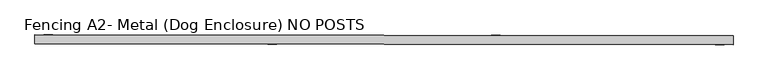
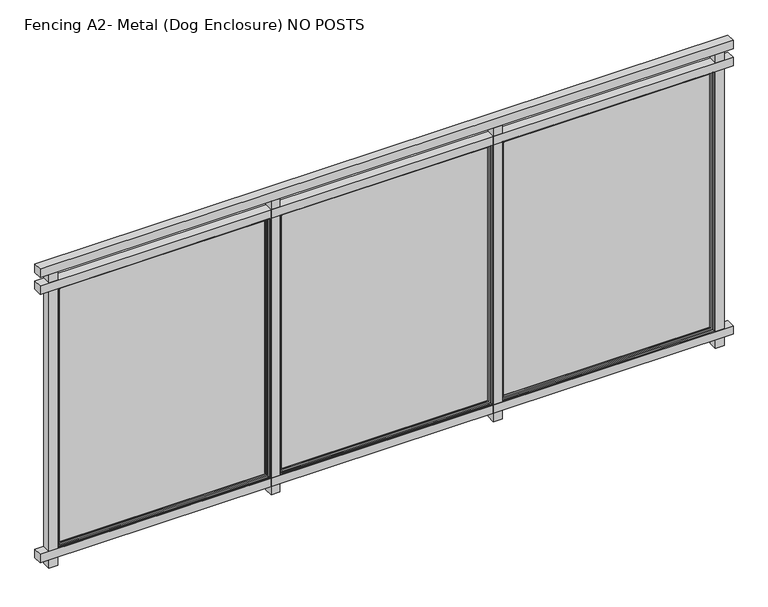
"""IFC4 building model written with IfcOpenShell, lengths in millimetres: railing geometry, Fencing A2- Metal (Dog Enclosure) NO POSTS."""

from ifc_helpers import new_model, si_unit, frame, origin, place, context, project, spatial, polyline, ellipse_curve, outline, extrude, source, transform, mapped, element, save
from ifc_brep_helpers import plane_surface, cylinder_surface, advanced_brep


def fencing_a2_metal_dog_enclosure_no_posts_8233dcb3(model_context):
    return source(origin(), model_context, "Body", "SolidModel", [
        extrude(outline(polyline([(8070.005438, 2330.5834559), (8069.9451369, 2279.7834917), (4107.5479285, 2284.4869765), (4107.6082296, 2335.2869408), (8070.005438, 2330.5834559)])), frame((0.0, 0.0, 1016.0), z_axis=(0.0, 0.0, 1.0), x_axis=(1.0, 0.0, 0.0)), (0.0, 0.0, 1.0), 50.8),
        extrude(outline(polyline([(8070.005438, 2330.5834559), (8069.9451369, 2279.7834917), (4107.5479285, 2284.4869765), (4107.6082296, 2335.2869408), (8070.005438, 2330.5834559)])), frame((0.0, 0.0, 914.4), z_axis=(0.0, 0.0, 1.0), x_axis=(1.0, 0.0, 0.0)), (0.0, 0.0, 1.0), 50.8),
        extrude(outline(polyline([(8070.005438, 2330.5834559), (8069.9451369, 2279.7834917), (4107.5479285, 2284.4869765), (4107.6082296, 2335.2869408), (8070.005438, 2330.5834559)])), frame((0.0, 0.0, -711.2), z_axis=(0.0, 0.0, 1.0), x_axis=(1.0, 0.0, 0.0)), (0.0, 0.0, 1.0), 50.8),
        extrude(outline(polyline([(4209.208158, 2335.1663386), (4209.1478569, 2284.3663744), (4158.3478927, 2284.4266755), (4158.4081938, 2335.2266397), (4209.208158, 2335.1663386)])), frame((0.0, 0.0, -762.0), z_axis=(0.0, 0.0, 1.0), x_axis=(1.0, 0.0, 0.0)), (0.0, 0.0, 1.0), 1778.0),
        advanced_brep(
        [(5422.0478815, 2325.7891557, 908.05), (5425.2266481, 2328.9603847, 911.225), (5425.2266481, 2328.9603847, -657.225), (5422.0478815, 2325.7891557, -654.05), (4212.3775026, 2330.4000731, -657.225), (4215.5487315, 2327.2213065, -654.05), (4209.2025048, 2330.4038419, -660.4), (4209.2025048, 2330.4038419, 914.4), (5428.4016459, 2328.9566158, 914.4), (5428.4016459, 2328.9566158, -660.4), (4212.3775026, 2330.4000731, 911.225), (4215.5487315, 2327.2213065, 908.05), (5422.0365751, 2316.2641624, -654.05), (4215.5374251, 2317.6963132, -654.05), (5422.0365751, 2316.2641624, 908.05), (4215.5374251, 2317.6963132, 908.05), (5412.5115818, 2316.2754689, -644.525), (5412.5115818, 2316.2754689, 898.525), (4225.0624183, 2317.6850068, 898.525), (4225.0624183, 2317.6850068, -644.525), (5409.3328152, 2313.1042399, 895.35), (5409.3328152, 2313.1042399, -641.35), (4228.2336473, 2314.5062402, -641.35), (4228.2336473, 2314.5062402, 895.35), (5409.3290464, 2309.9292422, -641.35), (4228.2298785, 2311.3312424, -641.35), (5409.3290464, 2309.9292422, 895.35), (4228.2298785, 2311.3312424, 895.35), (5428.3790329, 2309.9066293, -660.4), (5428.3790329, 2309.9066293, 914.4), (4209.1798919, 2311.3538554, 914.4), (4209.1798919, 2311.3538554, -660.4)],
        [
            (0, 1, ellipse_curve(frame((5425.2228793, 2325.7853869, 911.225), z_axis=(0.7071062830160321, -0.0008393564505232655, -0.7071067811865475), x_axis=(0.707106283016032, -0.0008393564505232654, 0.7071067811865476)), 4.4901281, 3.175)),
            (1, 2),
            (2, 3, ellipse_curve(frame((5425.2228793, 2325.7853869, -657.225), z_axis=(0.7071062830160321, -0.0008393564505232655, 0.7071067811865475), x_axis=(-0.707106283016032, 0.0008393564505232654, 0.7071067811865476)), 4.4901281, 3.175)),
            (3, 0),
            (2, 4),
            (4, 5, ellipse_curve(frame((4212.3737337, 2327.2250754, -657.225), z_axis=(0.7071062830160321, -0.0008393564505232655, -0.7071067811865475), x_axis=(0.7071062830160322, -0.0008393564505232656, 0.7071067811865474)), 4.4901281, 3.175)),
            (5, 3),
            (6, 7),
            (7, 8),
            (8, 9),
            (9, 6),
            (1, 10),
            (10, 4),
            (10, 11, ellipse_curve(frame((4212.3737337, 2327.2250754, 911.225), z_axis=(-0.7071062830160321, 0.0008393564505232655, -0.7071067811865475), x_axis=(0.707106283016032, -0.0008393564505232654, -0.7071067811865476)), 4.4901281, 3.175)),
            (11, 5),
            (12, 3),
            (5, 13),
            (13, 12),
            (14, 0),
            (12, 14),
            (11, 15),
            (15, 13),
            (15, 14),
            (16, 17),
            (17, 18),
            (18, 19),
            (19, 16),
            (20, 17, ellipse_curve(frame((5412.5078129, 2313.1004711, 898.525), z_axis=(0.7071062830160321, -0.0008393564505232655, -0.7071067811865475), x_axis=(0.707106283016032, -0.0008393564505232654, 0.7071067811865476)), 4.4901281, 3.175)),
            (16, 21, ellipse_curve(frame((5412.5078129, 2313.1004711, -644.525), z_axis=(0.7071062830160321, -0.0008393564505232655, 0.7071067811865475), x_axis=(-0.707106283016032, 0.0008393564505232654, 0.7071067811865476)), 4.4901281, 3.175)),
            (21, 20),
            (19, 22, ellipse_curve(frame((4225.0586495, 2314.510009, -644.525), z_axis=(0.7071062830160321, -0.0008393564505232655, -0.7071067811865475), x_axis=(0.7071062830160322, -0.0008393564505232656, 0.7071067811865474)), 4.4901281, 3.175)),
            (22, 21),
            (18, 23, ellipse_curve(frame((4225.0586495, 2314.510009, 898.525), z_axis=(-0.7071062830160321, 0.0008393564505232655, -0.7071067811865475), x_axis=(0.707106283016032, -0.0008393564505232654, -0.7071067811865476)), 4.4901281, 3.175)),
            (23, 22),
            (24, 21),
            (22, 25),
            (25, 24),
            (26, 20),
            (24, 26),
            (23, 27),
            (27, 25),
            (28, 29),
            (29, 30),
            (30, 31),
            (31, 28),
            (27, 26),
            (8, 29),
            (28, 9),
            (31, 6),
            (30, 7),
            (0, 11),
            (20, 23),
        ],
        [
            cylinder_surface(frame((5425.2228793, 2325.7853869, 914.4), z_axis=(0.0, 0.0, 1.0), x_axis=(0.9999992954805008, -0.001187029275995899, 0.0)), 3.175),
            cylinder_surface(frame((5428.397877, 2325.7816181, -657.225), z_axis=(0.9999992954805008, -0.0011870292759953438, 0.0), x_axis=(0.0, 0.0, -1.0)), 3.175),
            plane_surface(frame((5428.4016459, 2328.9566158, 914.4), z_axis=(0.001187029275995899, 0.9999992954805008, 0.0), x_axis=(0.0, 0.0, -1.0))),
            cylinder_surface(frame((4212.3737337, 2327.2250754, -660.4), z_axis=(0.0, 0.0, -1.0), x_axis=(-0.9999992954805008, 0.0011870292759947887, 0.0)), 3.175),
            plane_surface(frame((5422.0478815, 2325.7891557, -654.05), z_axis=(0.0, 0.0, 1.0), x_axis=(-0.9999992954805008, 0.0011870292759953486, 0.0))),
            plane_surface(frame((5422.0478815, 2325.7891557, 908.05), z_axis=(-0.9999992954805008, 0.001187029275995899, 0.0), x_axis=(0.0, 0.0, -1.0))),
            plane_surface(frame((4215.5487315, 2327.2213065, -654.05), z_axis=(0.9999992954805008, -0.0011870292759947887, 0.0), x_axis=(0.0, 0.0, 1.0))),
            plane_surface(frame((5422.0365751, 2316.2641624, 908.05), z_axis=(0.001187029275995899, 0.9999992954805008, 0.0), x_axis=(0.0, 0.0, -1.0))),
            cylinder_surface(frame((5412.5078129, 2313.1004711, 914.4), z_axis=(0.0, 0.0, 1.0), x_axis=(0.9999992954805008, -0.001187029275995899, 0.0)), 3.175),
            cylinder_surface(frame((5428.3828018, 2313.081627, -644.525), z_axis=(0.9999992954805008, -0.0011870292759953438, 0.0), x_axis=(0.0, 0.0, -1.0)), 3.175),
            cylinder_surface(frame((4225.0586495, 2314.510009, -660.4), z_axis=(0.0, 0.0, -1.0), x_axis=(-0.9999992954805008, 0.0011870292759947887, 0.0)), 3.175),
            plane_surface(frame((5409.3328152, 2313.1042399, -641.35), z_axis=(0.0, 0.0, 1.0), x_axis=(-0.9999992954805008, 0.001187029275995351, 0.0))),
            plane_surface(frame((5409.3328152, 2313.1042399, 895.35), z_axis=(-0.9999992954805008, 0.001187029275995899, 0.0), x_axis=(0.0, 0.0, -1.0))),
            plane_surface(frame((4228.2336473, 2314.5062402, -641.35), z_axis=(0.9999992954805008, -0.0011870292759947887, 0.0), x_axis=(0.0, 0.0, 1.0))),
            plane_surface(frame((5409.3290464, 2309.9292422, 895.35), z_axis=(-0.001187029275995899, -0.9999992954805008, 0.0), x_axis=(0.0, 0.0, -1.0))),
            plane_surface(frame((5428.3790329, 2309.9066293, 914.4), z_axis=(0.9999992954805008, -0.001187029275995899, 0.0), x_axis=(0.0, 0.0, -1.0))),
            plane_surface(frame((5428.3790329, 2309.9066293, -660.4), z_axis=(0.0, 0.0, -1.0), x_axis=(-0.9999992954805008, 0.0011870292759953438, 0.0))),
            plane_surface(frame((4209.1798919, 2311.3538554, -660.4), z_axis=(-0.9999992954805008, 0.0011870292759947887, 0.0), x_axis=(0.0, 0.0, 1.0))),
            cylinder_surface(frame((4209.198736, 2327.2288442, 911.225), z_axis=(-0.9999992954805008, 0.0011870292759953438, 0.0), x_axis=(0.0, 0.0, 1.0)), 3.175),
            plane_surface(frame((4215.5487315, 2327.2213065, 908.05), z_axis=(0.0, 0.0, -1.0), x_axis=(0.9999992954805008, -0.0011870292759953449, 0.0))),
            cylinder_surface(frame((4209.1836607, 2314.5288531, 898.525), z_axis=(-0.9999992954805008, 0.0011870292759953438, 0.0), x_axis=(0.0, 0.0, 1.0)), 3.175),
            plane_surface(frame((4228.2336473, 2314.5062402, 895.35), z_axis=(0.0, 0.0, -1.0), x_axis=(0.9999992954805008, -0.001187029275995351, 0.0))),
            plane_surface(frame((4209.1798919, 2311.3538554, 914.4), z_axis=(0.0, 0.0, 1.0), x_axis=(0.9999992954805008, -0.0011870292759953438, 0.0))),
        ],
        [
            (0, [[1, 2, 3, 4]]),
            (1, [[-3, 5, 6, 7]]),
            (2, [[8, 9, 10, 11], [-2, 12, 13, -5]]),
            (3, [[-6, -13, 14, 15]]),
            (4, [[16, -7, 17, 18]]),
            (5, [[19, -4, -16, 20]]),
            (6, [[-17, -15, 21, 22]]),
            (7, [[-22, 23, -20, -18], [24, 25, 26, 27]]),
            (8, [[28, -24, 29, 30]]),
            (9, [[-29, -27, 31, 32]]),
            (10, [[-31, -26, 33, 34]]),
            (11, [[35, -32, 36, 37]]),
            (12, [[38, -30, -35, 39]]),
            (13, [[-36, -34, 40, 41]]),
            (14, [[42, 43, 44, 45], [-41, 46, -39, -37]]),
            (15, [[47, -42, 48, -10]]),
            (16, [[-48, -45, 49, -11]]),
            (17, [[-49, -44, 50, -8]]),
            (18, [[-14, -12, -1, 51]]),
            (19, [[-21, -51, -19, -23]]),
            (20, [[-33, -25, -28, 52]]),
            (21, [[-40, -52, -38, -46]]),
            (22, [[-50, -43, -47, -9]]),
        ],
    ),
        advanced_brep(
        [(5428.3752641, 2306.7316315, 914.4), (5428.3526512, 2287.6816449, 914.4), (5428.3526512, 2287.6816449, -660.4), (5428.3752641, 2306.7316315, -660.4), (4209.1535102, 2289.128871, -660.4), (4209.1761231, 2308.1788576, -660.4), (4209.1535102, 2289.128871, 914.4), (4212.3285079, 2289.1251022, -657.225), (4212.3285079, 2289.1251022, 911.225), (5425.1776535, 2287.6854137, 911.225), (5425.1776535, 2287.6854137, -657.225), (4209.1761231, 2308.1788576, 914.4), (5409.3252775, 2306.7542444, -641.35), (5409.3252775, 2306.7542444, 895.35), (4228.2261097, 2308.1562447, 895.35), (4228.2261097, 2308.1562447, -641.35), (5409.3215087, 2303.5792466, 895.35), (5409.3215087, 2303.5792466, -641.35), (4228.2223408, 2304.9812469, -641.35), (4228.2223408, 2304.9812469, 895.35), (5412.4927377, 2300.4004801, -644.525), (4225.0435743, 2301.810018, -644.525), (5412.4927377, 2300.4004801, 898.525), (4225.0435743, 2301.810018, 898.525), (5422.017731, 2300.3891736, -654.05), (5422.017731, 2300.3891736, 908.05), (4215.518581, 2301.8213244, 908.05), (4215.518581, 2301.8213244, -654.05), (5422.0064245, 2290.8641803, 908.05), (5422.0064245, 2290.8641803, -654.05), (4215.5072745, 2292.2963311, -654.05), (4215.5072745, 2292.2963311, 908.05)],
        [
            (0, 1),
            (1, 2),
            (2, 3),
            (3, 0),
            (2, 4),
            (4, 5),
            (5, 3),
            (1, 6),
            (6, 4),
            (7, 8),
            (8, 9),
            (9, 10),
            (10, 7),
            (6, 11),
            (11, 5),
            (11, 0),
            (12, 13),
            (13, 14),
            (14, 15),
            (15, 12),
            (16, 13),
            (12, 17),
            (17, 16),
            (15, 18),
            (18, 17),
            (14, 19),
            (19, 18),
            (20, 17, ellipse_curve(frame((5412.4965065, 2303.5754778, -644.525), z_axis=(-0.7071062830160321, 0.0008393564505232655, -0.7071067811865475), x_axis=(0.7071062830160322, -0.0008393564505232656, -0.7071067811865474)), 4.4901281, 3.175)),
            (18, 21, ellipse_curve(frame((4225.0473431, 2304.9850157, -644.525), z_axis=(0.7071062830160321, -0.0008393564505232655, -0.7071067811865475), x_axis=(0.7071062830160322, -0.0008393564505232656, 0.7071067811865474)), 4.4901281, 3.175)),
            (21, 20),
            (22, 16, ellipse_curve(frame((5412.4965065, 2303.5754778, 898.525), z_axis=(0.7071062830160321, -0.0008393564505232655, -0.7071067811865475), x_axis=(0.707106283016032, -0.0008393564505232654, 0.7071067811865476)), 4.4901281, 3.175)),
            (20, 22),
            (19, 23, ellipse_curve(frame((4225.0473431, 2304.9850157, 898.525), z_axis=(-0.7071062830160321, 0.0008393564505232655, -0.7071067811865475), x_axis=(0.707106283016032, -0.0008393564505232654, -0.7071067811865476)), 4.4901281, 3.175)),
            (23, 21),
            (24, 25),
            (25, 26),
            (26, 27),
            (27, 24),
            (23, 22),
            (28, 25),
            (24, 29),
            (29, 28),
            (27, 30),
            (30, 29),
            (26, 31),
            (31, 30),
            (10, 29, ellipse_curve(frame((5425.1814223, 2290.8604115, -657.225), z_axis=(-0.7071062830160321, 0.0008393564505232655, -0.7071067811865475), x_axis=(0.7071062830160322, -0.0008393564505232656, -0.7071067811865474)), 4.4901281, 3.175)),
            (30, 7, ellipse_curve(frame((4212.3322767, 2292.3001, -657.225), z_axis=(0.7071062830160321, -0.0008393564505232655, -0.7071067811865475), x_axis=(0.7071062830160322, -0.0008393564505232656, 0.7071067811865474)), 4.4901281, 3.175)),
            (9, 28, ellipse_curve(frame((5425.1814223, 2290.8604115, 911.225), z_axis=(0.7071062830160321, -0.0008393564505232655, -0.7071067811865475), x_axis=(0.707106283016032, -0.0008393564505232654, 0.7071067811865476)), 4.4901281, 3.175)),
            (31, 8, ellipse_curve(frame((4212.3322767, 2292.3001, 911.225), z_axis=(-0.7071062830160321, 0.0008393564505232655, -0.7071067811865475), x_axis=(0.707106283016032, -0.0008393564505232654, -0.7071067811865476)), 4.4901281, 3.175)),
            (16, 19),
            (28, 31),
        ],
        [
            plane_surface(frame((5428.3526512, 2287.6816449, 914.4), z_axis=(0.9999992954805008, -0.001187029275995899, 0.0), x_axis=(0.0, 0.0, -1.0))),
            plane_surface(frame((5428.3526512, 2287.6816449, -660.4), z_axis=(0.0, 0.0, -1.0), x_axis=(-0.9999992954805008, 0.0011870292759953438, 0.0))),
            plane_surface(frame((5425.1776535, 2287.6854137, 911.225), z_axis=(-0.001187029275995899, -0.9999992954805008, 0.0), x_axis=(0.0, 0.0, -1.0))),
            plane_surface(frame((4209.1535102, 2289.128871, -660.4), z_axis=(-0.9999992954805008, 0.0011870292759947887, 0.0), x_axis=(0.0, 0.0, 1.0))),
            plane_surface(frame((5428.3752641, 2306.7316315, 914.4), z_axis=(0.001187029275995899, 0.9999992954805008, 0.0), x_axis=(0.0, 0.0, -1.0))),
            plane_surface(frame((5409.3252775, 2306.7542444, 895.35), z_axis=(-0.9999992954805008, 0.001187029275995899, 0.0), x_axis=(0.0, 0.0, -1.0))),
            plane_surface(frame((5409.3252775, 2306.7542444, -641.35), z_axis=(0.0, 0.0, 1.0), x_axis=(-0.9999992954805008, 0.001187029275995351, 0.0))),
            plane_surface(frame((4228.2261097, 2308.1562447, -641.35), z_axis=(0.9999992954805008, -0.0011870292759947887, 0.0), x_axis=(0.0, 0.0, 1.0))),
            cylinder_surface(frame((5428.3714953, 2303.5566337, -644.525), z_axis=(0.9999992954805008, -0.0011870292759953438, 0.0), x_axis=(0.0, 0.0, -1.0)), 3.175),
            cylinder_surface(frame((5412.4965065, 2303.5754778, 914.4), z_axis=(0.0, 0.0, 1.0), x_axis=(0.9999992954805008, -0.001187029275995899, 0.0)), 3.175),
            cylinder_surface(frame((4225.0473431, 2304.9850157, -660.4), z_axis=(0.0, 0.0, -1.0), x_axis=(-0.9999992954805008, 0.0011870292759947887, 0.0)), 3.175),
            plane_surface(frame((5412.4927377, 2300.4004801, 898.525), z_axis=(-0.001187029275995899, -0.9999992954805008, 0.0), x_axis=(0.0, 0.0, -1.0))),
            plane_surface(frame((5422.017731, 2300.3891736, 908.05), z_axis=(-0.9999992954805008, 0.001187029275995899, 0.0), x_axis=(0.0, 0.0, -1.0))),
            plane_surface(frame((5422.017731, 2300.3891736, -654.05), z_axis=(0.0, 0.0, 1.0), x_axis=(-0.9999992954805008, 0.0011870292759953449, 0.0))),
            plane_surface(frame((4215.518581, 2301.8213244, -654.05), z_axis=(0.9999992954805008, -0.0011870292759947887, 0.0), x_axis=(0.0, 0.0, 1.0))),
            cylinder_surface(frame((5428.35642, 2290.8566427, -657.225), z_axis=(0.9999992954805008, -0.0011870292759953438, 0.0), x_axis=(0.0, 0.0, -1.0)), 3.175),
            cylinder_surface(frame((5425.1814223, 2290.8604115, 914.4), z_axis=(0.0, 0.0, 1.0), x_axis=(0.9999992954805008, -0.001187029275995899, 0.0)), 3.175),
            cylinder_surface(frame((4212.3322767, 2292.3001, -660.4), z_axis=(0.0, 0.0, -1.0), x_axis=(-0.9999992954805008, 0.0011870292759947887, 0.0)), 3.175),
            plane_surface(frame((4209.1535102, 2289.128871, 914.4), z_axis=(0.0, 0.0, 1.0), x_axis=(0.9999992954805008, -0.0011870292759953438, 0.0))),
            plane_surface(frame((4228.2261097, 2308.1562447, 895.35), z_axis=(0.0, 0.0, -1.0), x_axis=(0.9999992954805008, -0.001187029275995351, 0.0))),
            cylinder_surface(frame((4209.1723543, 2305.0038598, 898.525), z_axis=(-0.9999992954805008, 0.0011870292759953438, 0.0), x_axis=(0.0, 0.0, 1.0)), 3.175),
            plane_surface(frame((4215.518581, 2301.8213244, 908.05), z_axis=(0.0, 0.0, -1.0), x_axis=(0.9999992954805008, -0.0011870292759953449, 0.0))),
            cylinder_surface(frame((4209.157279, 2292.3038688, 911.225), z_axis=(-0.9999992954805008, 0.0011870292759953438, 0.0), x_axis=(0.0, 0.0, 1.0)), 3.175),
        ],
        [
            (0, [[1, 2, 3, 4]]),
            (1, [[-3, 5, 6, 7]]),
            (2, [[-2, 8, 9, -5], [10, 11, 12, 13]]),
            (3, [[-6, -9, 14, 15]]),
            (4, [[-15, 16, -4, -7], [17, 18, 19, 20]]),
            (5, [[21, -17, 22, 23]]),
            (6, [[-22, -20, 24, 25]]),
            (7, [[-24, -19, 26, 27]]),
            (8, [[28, -25, 29, 30]]),
            (9, [[31, -23, -28, 32]]),
            (10, [[-29, -27, 33, 34]]),
            (11, [[35, 36, 37, 38], [-34, 39, -32, -30]]),
            (12, [[40, -35, 41, 42]]),
            (13, [[-41, -38, 43, 44]]),
            (14, [[-43, -37, 45, 46]]),
            (15, [[47, -44, 48, -13]]),
            (16, [[49, -42, -47, -12]]),
            (17, [[-48, -46, 50, -10]]),
            (18, [[-14, -8, -1, -16]]),
            (19, [[-26, -18, -21, 51]]),
            (20, [[-33, -51, -31, -39]]),
            (21, [[-45, -36, -40, 52]]),
            (22, [[-50, -52, -49, -11]]),
        ],
    ),
        extrude(outline(polyline([(5428.3752641, 2306.7316315), (4209.1761231, 2308.1788576), (4209.1798919, 2311.3538554), (5428.3790329, 2309.9066293), (5428.3752641, 2306.7316315)])), frame((0.0, 0.0, -660.4), z_axis=(0.0, 0.0, 1.0), x_axis=(1.0, 0.0, 0.0)), (0.0, 0.0, 1.0), 1574.8),
        extrude(outline(polyline([(5479.2072633, 2333.6588114), (5479.1469622, 2282.8588472), (5428.346998, 2282.9191483), (5428.4072991, 2333.7191125), (5479.2072633, 2333.6588114)])), frame((0.0, 0.0, -762.0), z_axis=(0.0, 0.0, 1.0), x_axis=(1.0, 0.0, 0.0)), (0.0, 0.0, 1.0), 1778.0),
        advanced_brep(
        [(6692.0469868, 2324.2816285, 908.05), (6695.2257533, 2327.4528575, 911.225), (6695.2257533, 2327.4528575, -657.225), (6692.0469868, 2324.2816285, -654.05), (5482.3766078, 2328.8925459, -657.225), (5485.5478368, 2325.7137794, -654.05), (5479.2016101, 2328.8963148, -660.4), (5479.2016101, 2328.8963148, 914.4), (6698.4007511, 2327.4490887, 914.4), (6698.4007511, 2327.4490887, -660.4), (5482.3766078, 2328.8925459, 911.225), (5485.5478368, 2325.7137794, 908.05), (6692.0356803, 2314.7566352, -654.05), (5485.5365303, 2316.1887861, -654.05), (6692.0356803, 2314.7566352, 908.05), (5485.5365303, 2316.1887861, 908.05), (6682.510687, 2314.7679417, -644.525), (6682.510687, 2314.7679417, 898.525), (5495.0615236, 2316.1774796, 898.525), (5495.0615236, 2316.1774796, -644.525), (6679.3319204, 2311.5967128, 895.35), (6679.3319204, 2311.5967128, -641.35), (5498.2327526, 2312.998713, -641.35), (5498.2327526, 2312.998713, 895.35), (6679.3281516, 2308.421715, -641.35), (5498.2289837, 2309.8237153, -641.35), (6679.3281516, 2308.421715, 895.35), (5498.2289837, 2309.8237153, 895.35), (6698.3781382, 2308.3991021, -660.4), (6698.3781382, 2308.3991021, 914.4), (5479.1789972, 2309.8463282, 914.4), (5479.1789972, 2309.8463282, -660.4)],
        [
            (0, 1, ellipse_curve(frame((6695.2219845, 2324.2778597, 911.225), z_axis=(0.7071062830160321, -0.0008393564505232655, -0.7071067811865475), x_axis=(0.707106283016032, -0.0008393564505232654, 0.7071067811865476)), 4.4901281, 3.175)),
            (1, 2),
            (2, 3, ellipse_curve(frame((6695.2219845, 2324.2778597, -657.225), z_axis=(0.7071062830160321, -0.0008393564505232655, 0.7071067811865475), x_axis=(-0.707106283016032, 0.0008393564505232654, 0.7071067811865476)), 4.4901281, 3.175)),
            (3, 0),
            (2, 4),
            (4, 5, ellipse_curve(frame((5482.372839, 2325.7175482, -657.225), z_axis=(0.7071062830160321, -0.0008393564505232655, -0.7071067811865475), x_axis=(0.7071062830160322, -0.0008393564505232656, 0.7071067811865474)), 4.4901281, 3.175)),
            (5, 3),
            (6, 7),
            (7, 8),
            (8, 9),
            (9, 6),
            (1, 10),
            (10, 4),
            (10, 11, ellipse_curve(frame((5482.372839, 2325.7175482, 911.225), z_axis=(-0.7071062830160321, 0.0008393564505232655, -0.7071067811865475), x_axis=(0.707106283016032, -0.0008393564505232654, -0.7071067811865476)), 4.4901281, 3.175)),
            (11, 5),
            (12, 3),
            (5, 13),
            (13, 12),
            (14, 0),
            (12, 14),
            (11, 15),
            (15, 13),
            (15, 14),
            (16, 17),
            (17, 18),
            (18, 19),
            (19, 16),
            (20, 17, ellipse_curve(frame((6682.5069182, 2311.5929439, 898.525), z_axis=(0.7071062830160321, -0.0008393564505232655, -0.7071067811865475), x_axis=(0.707106283016032, -0.0008393564505232654, 0.7071067811865476)), 4.4901281, 3.175)),
            (16, 21, ellipse_curve(frame((6682.5069182, 2311.5929439, -644.525), z_axis=(0.7071062830160321, -0.0008393564505232655, 0.7071067811865475), x_axis=(-0.707106283016032, 0.0008393564505232654, 0.7071067811865476)), 4.4901281, 3.175)),
            (21, 20),
            (19, 22, ellipse_curve(frame((5495.0577548, 2313.0024818, -644.525), z_axis=(0.7071062830160321, -0.0008393564505232655, -0.7071067811865475), x_axis=(0.7071062830160322, -0.0008393564505232656, 0.7071067811865474)), 4.4901281, 3.175)),
            (22, 21),
            (18, 23, ellipse_curve(frame((5495.0577548, 2313.0024818, 898.525), z_axis=(-0.7071062830160321, 0.0008393564505232655, -0.7071067811865475), x_axis=(0.707106283016032, -0.0008393564505232654, -0.7071067811865476)), 4.4901281, 3.175)),
            (23, 22),
            (24, 21),
            (22, 25),
            (25, 24),
            (26, 20),
            (24, 26),
            (23, 27),
            (27, 25),
            (28, 29),
            (29, 30),
            (30, 31),
            (31, 28),
            (27, 26),
            (8, 29),
            (28, 9),
            (31, 6),
            (30, 7),
            (0, 11),
            (20, 23),
        ],
        [
            cylinder_surface(frame((6695.2219845, 2324.2778597, 914.4), z_axis=(0.0, 0.0, 1.0), x_axis=(0.9999992954805008, -0.001187029275995899, 0.0)), 3.175),
            cylinder_surface(frame((6698.3969823, 2324.2740909, -657.225), z_axis=(0.9999992954805008, -0.0011870292759953438, 0.0), x_axis=(0.0, 0.0, -1.0)), 3.175),
            plane_surface(frame((6698.4007511, 2327.4490887, 914.4), z_axis=(0.001187029275995899, 0.9999992954805008, 0.0), x_axis=(0.0, 0.0, -1.0))),
            cylinder_surface(frame((5482.372839, 2325.7175482, -660.4), z_axis=(0.0, 0.0, -1.0), x_axis=(-0.9999992954805008, 0.0011870292759947887, 0.0)), 3.175),
            plane_surface(frame((6692.0469868, 2324.2816285, -654.05), z_axis=(0.0, 0.0, 1.0), x_axis=(-0.9999992954805008, 0.0011870292759953486, 0.0))),
            plane_surface(frame((6692.0469868, 2324.2816285, 908.05), z_axis=(-0.9999992954805008, 0.001187029275995899, 0.0), x_axis=(0.0, 0.0, -1.0))),
            plane_surface(frame((5485.5478368, 2325.7137794, -654.05), z_axis=(0.9999992954805008, -0.0011870292759947887, 0.0), x_axis=(0.0, 0.0, 1.0))),
            plane_surface(frame((6692.0356803, 2314.7566352, 908.05), z_axis=(0.001187029275995899, 0.9999992954805008, 0.0), x_axis=(0.0, 0.0, -1.0))),
            cylinder_surface(frame((6682.5069182, 2311.5929439, 914.4), z_axis=(0.0, 0.0, 1.0), x_axis=(0.9999992954805008, -0.001187029275995899, 0.0)), 3.175),
            cylinder_surface(frame((6698.381907, 2311.5740998, -644.525), z_axis=(0.9999992954805008, -0.0011870292759953438, 0.0), x_axis=(0.0, 0.0, -1.0)), 3.175),
            cylinder_surface(frame((5495.0577548, 2313.0024818, -660.4), z_axis=(0.0, 0.0, -1.0), x_axis=(-0.9999992954805008, 0.0011870292759947887, 0.0)), 3.175),
            plane_surface(frame((6679.3319204, 2311.5967128, -641.35), z_axis=(0.0, 0.0, 1.0), x_axis=(-0.9999992954805008, 0.001187029275995351, 0.0))),
            plane_surface(frame((6679.3319204, 2311.5967128, 895.35), z_axis=(-0.9999992954805008, 0.001187029275995899, 0.0), x_axis=(0.0, 0.0, -1.0))),
            plane_surface(frame((5498.2327526, 2312.998713, -641.35), z_axis=(0.9999992954805008, -0.0011870292759947887, 0.0), x_axis=(0.0, 0.0, 1.0))),
            plane_surface(frame((6679.3281516, 2308.421715, 895.35), z_axis=(-0.001187029275995899, -0.9999992954805008, 0.0), x_axis=(0.0, 0.0, -1.0))),
            plane_surface(frame((6698.3781382, 2308.3991021, 914.4), z_axis=(0.9999992954805008, -0.001187029275995899, 0.0), x_axis=(0.0, 0.0, -1.0))),
            plane_surface(frame((6698.3781382, 2308.3991021, -660.4), z_axis=(0.0, 0.0, -1.0), x_axis=(-0.9999992954805008, 0.0011870292759953438, 0.0))),
            plane_surface(frame((5479.1789972, 2309.8463282, -660.4), z_axis=(-0.9999992954805008, 0.0011870292759947887, 0.0), x_axis=(0.0, 0.0, 1.0))),
            cylinder_surface(frame((5479.1978412, 2325.721317, 911.225), z_axis=(-0.9999992954805008, 0.0011870292759953438, 0.0), x_axis=(0.0, 0.0, 1.0)), 3.175),
            plane_surface(frame((5485.5478368, 2325.7137794, 908.05), z_axis=(0.0, 0.0, -1.0), x_axis=(0.9999992954805008, -0.0011870292759953449, 0.0))),
            cylinder_surface(frame((5479.182766, 2313.0213259, 898.525), z_axis=(-0.9999992954805008, 0.0011870292759953438, 0.0), x_axis=(0.0, 0.0, 1.0)), 3.175),
            plane_surface(frame((5498.2327526, 2312.998713, 895.35), z_axis=(0.0, 0.0, -1.0), x_axis=(0.9999992954805008, -0.001187029275995351, 0.0))),
            plane_surface(frame((5479.1789972, 2309.8463282, 914.4), z_axis=(0.0, 0.0, 1.0), x_axis=(0.9999992954805008, -0.0011870292759953438, 0.0))),
        ],
        [
            (0, [[1, 2, 3, 4]]),
            (1, [[-3, 5, 6, 7]]),
            (2, [[8, 9, 10, 11], [-2, 12, 13, -5]]),
            (3, [[-6, -13, 14, 15]]),
            (4, [[16, -7, 17, 18]]),
            (5, [[19, -4, -16, 20]]),
            (6, [[-17, -15, 21, 22]]),
            (7, [[-22, 23, -20, -18], [24, 25, 26, 27]]),
            (8, [[28, -24, 29, 30]]),
            (9, [[-29, -27, 31, 32]]),
            (10, [[-31, -26, 33, 34]]),
            (11, [[35, -32, 36, 37]]),
            (12, [[38, -30, -35, 39]]),
            (13, [[-36, -34, 40, 41]]),
            (14, [[42, 43, 44, 45], [-41, 46, -39, -37]]),
            (15, [[47, -42, 48, -10]]),
            (16, [[-48, -45, 49, -11]]),
            (17, [[-49, -44, 50, -8]]),
            (18, [[-14, -12, -1, 51]]),
            (19, [[-21, -51, -19, -23]]),
            (20, [[-33, -25, -28, 52]]),
            (21, [[-40, -52, -38, -46]]),
            (22, [[-50, -43, -47, -9]]),
        ],
    ),
        advanced_brep(
        [(6698.3743694, 2305.2241043, 914.4), (6698.3517565, 2286.1741177, 914.4), (6698.3517565, 2286.1741177, -660.4), (6698.3743694, 2305.2241043, -660.4), (5479.1526154, 2287.6213438, -660.4), (5479.1752283, 2306.6713304, -660.4), (5479.1526154, 2287.6213438, 914.4), (5482.3276132, 2287.617575, -657.225), (5482.3276132, 2287.617575, 911.225), (6695.1767587, 2286.1778866, 911.225), (6695.1767587, 2286.1778866, -657.225), (5479.1752283, 2306.6713304, 914.4), (6679.3243828, 2305.2467172, -641.35), (6679.3243828, 2305.2467172, 895.35), (5498.2252149, 2306.6487175, 895.35), (5498.2252149, 2306.6487175, -641.35), (6679.320614, 2302.0717195, 895.35), (6679.320614, 2302.0717195, -641.35), (5498.2214461, 2303.4737197, -641.35), (5498.2214461, 2303.4737197, 895.35), (6682.4918429, 2298.8929529, -644.525), (5495.0426795, 2300.3024908, -644.525), (6682.4918429, 2298.8929529, 898.525), (5495.0426795, 2300.3024908, 898.525), (6692.0168362, 2298.8816464, -654.05), (6692.0168362, 2298.8816464, 908.05), (5485.5176862, 2300.3137972, 908.05), (5485.5176862, 2300.3137972, -654.05), (6692.0055298, 2289.3566531, 908.05), (6692.0055298, 2289.3566531, -654.05), (5485.5063798, 2290.788804, -654.05), (5485.5063798, 2290.788804, 908.05)],
        [
            (0, 1),
            (1, 2),
            (2, 3),
            (3, 0),
            (2, 4),
            (4, 5),
            (5, 3),
            (1, 6),
            (6, 4),
            (7, 8),
            (8, 9),
            (9, 10),
            (10, 7),
            (6, 11),
            (11, 5),
            (11, 0),
            (12, 13),
            (13, 14),
            (14, 15),
            (15, 12),
            (16, 13),
            (12, 17),
            (17, 16),
            (15, 18),
            (18, 17),
            (14, 19),
            (19, 18),
            (20, 17, ellipse_curve(frame((6682.4956118, 2302.0679506, -644.525), z_axis=(-0.7071062830160321, 0.0008393564505232655, -0.7071067811865475), x_axis=(0.7071062830160322, -0.0008393564505232656, -0.7071067811865474)), 4.4901281, 3.175)),
            (18, 21, ellipse_curve(frame((5495.0464483, 2303.4774886, -644.525), z_axis=(0.7071062830160321, -0.0008393564505232655, -0.7071067811865475), x_axis=(0.7071062830160322, -0.0008393564505232656, 0.7071067811865474)), 4.4901281, 3.175)),
            (21, 20),
            (22, 16, ellipse_curve(frame((6682.4956118, 2302.0679506, 898.525), z_axis=(0.7071062830160321, -0.0008393564505232655, -0.7071067811865475), x_axis=(0.707106283016032, -0.0008393564505232654, 0.7071067811865476)), 4.4901281, 3.175)),
            (20, 22),
            (19, 23, ellipse_curve(frame((5495.0464483, 2303.4774886, 898.525), z_axis=(-0.7071062830160321, 0.0008393564505232655, -0.7071067811865475), x_axis=(0.707106283016032, -0.0008393564505232654, -0.7071067811865476)), 4.4901281, 3.175)),
            (23, 21),
            (24, 25),
            (25, 26),
            (26, 27),
            (27, 24),
            (23, 22),
            (28, 25),
            (24, 29),
            (29, 28),
            (27, 30),
            (30, 29),
            (26, 31),
            (31, 30),
            (10, 29, ellipse_curve(frame((6695.1805275, 2289.3528843, -657.225), z_axis=(-0.7071062830160321, 0.0008393564505232655, -0.7071067811865475), x_axis=(0.7071062830160322, -0.0008393564505232656, -0.7071067811865474)), 4.4901281, 3.175)),
            (30, 7, ellipse_curve(frame((5482.331382, 2290.7925728, -657.225), z_axis=(0.7071062830160321, -0.0008393564505232655, -0.7071067811865475), x_axis=(0.7071062830160322, -0.0008393564505232656, 0.7071067811865474)), 4.4901281, 3.175)),
            (9, 28, ellipse_curve(frame((6695.1805275, 2289.3528843, 911.225), z_axis=(0.7071062830160321, -0.0008393564505232655, -0.7071067811865475), x_axis=(0.707106283016032, -0.0008393564505232654, 0.7071067811865476)), 4.4901281, 3.175)),
            (31, 8, ellipse_curve(frame((5482.331382, 2290.7925728, 911.225), z_axis=(-0.7071062830160321, 0.0008393564505232655, -0.7071067811865475), x_axis=(0.707106283016032, -0.0008393564505232654, -0.7071067811865476)), 4.4901281, 3.175)),
            (16, 19),
            (28, 31),
        ],
        [
            plane_surface(frame((6698.3517565, 2286.1741177, 914.4), z_axis=(0.9999992954805008, -0.001187029275995899, 0.0), x_axis=(0.0, 0.0, -1.0))),
            plane_surface(frame((6698.3517565, 2286.1741177, -660.4), z_axis=(0.0, 0.0, -1.0), x_axis=(-0.9999992954805008, 0.0011870292759953438, 0.0))),
            plane_surface(frame((6695.1767587, 2286.1778866, 911.225), z_axis=(-0.001187029275995899, -0.9999992954805008, 0.0), x_axis=(0.0, 0.0, -1.0))),
            plane_surface(frame((5479.1526154, 2287.6213438, -660.4), z_axis=(-0.9999992954805008, 0.0011870292759947887, 0.0), x_axis=(0.0, 0.0, 1.0))),
            plane_surface(frame((6698.3743694, 2305.2241043, 914.4), z_axis=(0.001187029275995899, 0.9999992954805008, 0.0), x_axis=(0.0, 0.0, -1.0))),
            plane_surface(frame((6679.3243828, 2305.2467172, 895.35), z_axis=(-0.9999992954805008, 0.001187029275995899, 0.0), x_axis=(0.0, 0.0, -1.0))),
            plane_surface(frame((6679.3243828, 2305.2467172, -641.35), z_axis=(0.0, 0.0, 1.0), x_axis=(-0.9999992954805008, 0.001187029275995351, 0.0))),
            plane_surface(frame((5498.2252149, 2306.6487175, -641.35), z_axis=(0.9999992954805008, -0.0011870292759947887, 0.0), x_axis=(0.0, 0.0, 1.0))),
            cylinder_surface(frame((6698.3706006, 2302.0491066, -644.525), z_axis=(0.9999992954805008, -0.0011870292759953438, 0.0), x_axis=(0.0, 0.0, -1.0)), 3.175),
            cylinder_surface(frame((6682.4956118, 2302.0679506, 914.4), z_axis=(0.0, 0.0, 1.0), x_axis=(0.9999992954805008, -0.001187029275995899, 0.0)), 3.175),
            cylinder_surface(frame((5495.0464483, 2303.4774886, -660.4), z_axis=(0.0, 0.0, -1.0), x_axis=(-0.9999992954805008, 0.0011870292759947887, 0.0)), 3.175),
            plane_surface(frame((6682.4918429, 2298.8929529, 898.525), z_axis=(-0.001187029275995899, -0.9999992954805008, 0.0), x_axis=(0.0, 0.0, -1.0))),
            plane_surface(frame((6692.0168362, 2298.8816464, 908.05), z_axis=(-0.9999992954805008, 0.001187029275995899, 0.0), x_axis=(0.0, 0.0, -1.0))),
            plane_surface(frame((6692.0168362, 2298.8816464, -654.05), z_axis=(0.0, 0.0, 1.0), x_axis=(-0.9999992954805008, 0.0011870292759953449, 0.0))),
            plane_surface(frame((5485.5176862, 2300.3137972, -654.05), z_axis=(0.9999992954805008, -0.0011870292759947887, 0.0), x_axis=(0.0, 0.0, 1.0))),
            cylinder_surface(frame((6698.3555253, 2289.3491155, -657.225), z_axis=(0.9999992954805008, -0.0011870292759953438, 0.0), x_axis=(0.0, 0.0, -1.0)), 3.175),
            cylinder_surface(frame((6695.1805275, 2289.3528843, 914.4), z_axis=(0.0, 0.0, 1.0), x_axis=(0.9999992954805008, -0.001187029275995899, 0.0)), 3.175),
            cylinder_surface(frame((5482.331382, 2290.7925728, -660.4), z_axis=(0.0, 0.0, -1.0), x_axis=(-0.9999992954805008, 0.0011870292759947887, 0.0)), 3.175),
            plane_surface(frame((5479.1526154, 2287.6213438, 914.4), z_axis=(0.0, 0.0, 1.0), x_axis=(0.9999992954805008, -0.0011870292759953438, 0.0))),
            plane_surface(frame((5498.2252149, 2306.6487175, 895.35), z_axis=(0.0, 0.0, -1.0), x_axis=(0.9999992954805008, -0.001187029275995351, 0.0))),
            cylinder_surface(frame((5479.1714595, 2303.4963326, 898.525), z_axis=(-0.9999992954805008, 0.0011870292759953438, 0.0), x_axis=(0.0, 0.0, 1.0)), 3.175),
            plane_surface(frame((5485.5176862, 2300.3137972, 908.05), z_axis=(0.0, 0.0, -1.0), x_axis=(0.9999992954805008, -0.0011870292759953449, 0.0))),
            cylinder_surface(frame((5479.1563842, 2290.7963416, 911.225), z_axis=(-0.9999992954805008, 0.0011870292759953438, 0.0), x_axis=(0.0, 0.0, 1.0)), 3.175),
        ],
        [
            (0, [[1, 2, 3, 4]]),
            (1, [[-3, 5, 6, 7]]),
            (2, [[-2, 8, 9, -5], [10, 11, 12, 13]]),
            (3, [[-6, -9, 14, 15]]),
            (4, [[-15, 16, -4, -7], [17, 18, 19, 20]]),
            (5, [[21, -17, 22, 23]]),
            (6, [[-22, -20, 24, 25]]),
            (7, [[-24, -19, 26, 27]]),
            (8, [[28, -25, 29, 30]]),
            (9, [[31, -23, -28, 32]]),
            (10, [[-29, -27, 33, 34]]),
            (11, [[35, 36, 37, 38], [-34, 39, -32, -30]]),
            (12, [[40, -35, 41, 42]]),
            (13, [[-41, -38, 43, 44]]),
            (14, [[-43, -37, 45, 46]]),
            (15, [[47, -44, 48, -13]]),
            (16, [[49, -42, -47, -12]]),
            (17, [[-48, -46, 50, -10]]),
            (18, [[-14, -8, -1, -16]]),
            (19, [[-26, -18, -21, 51]]),
            (20, [[-33, -51, -31, -39]]),
            (21, [[-45, -36, -40, 52]]),
            (22, [[-50, -52, -49, -11]]),
        ],
    ),
        extrude(outline(polyline([(6698.3743694, 2305.2241043), (5479.1752283, 2306.6713304), (5479.1789972, 2309.8463282), (6698.3781382, 2308.3991021), (6698.3743694, 2305.2241043)])), frame((0.0, 0.0, -660.4), z_axis=(0.0, 0.0, 1.0), x_axis=(1.0, 0.0, 0.0)), (0.0, 0.0, 1.0), 1574.8),
        extrude(outline(polyline([(6749.2063685, 2332.1512842), (6749.1460675, 2281.35132), (6698.3461033, 2281.4116211), (6698.4064043, 2332.2115853), (6749.2063685, 2332.1512842)])), frame((0.0, 0.0, -762.0), z_axis=(0.0, 0.0, 1.0), x_axis=(1.0, 0.0, 0.0)), (0.0, 0.0, 1.0), 1778.0),
        advanced_brep(
        [(7962.046092, 2322.7741014, 908.05), (7965.2248586, 2325.9453303, 911.225), (7965.2248586, 2325.9453303, -657.225), (7962.046092, 2322.7741014, -654.05), (6752.3757131, 2327.3850188, -657.225), (6755.546942, 2324.2062522, -654.05), (6749.2007153, 2327.3887876, -660.4), (6749.2007153, 2327.3887876, 914.4), (7968.3998564, 2325.9415615, 914.4), (7968.3998564, 2325.9415615, -660.4), (6752.3757131, 2327.3850188, 911.225), (6755.546942, 2324.2062522, 908.05), (7962.0347856, 2313.2491081, -654.05), (6755.5356356, 2314.6812589, -654.05), (7962.0347856, 2313.2491081, 908.05), (6755.5356356, 2314.6812589, 908.05), (7952.5097923, 2313.2604145, -644.525), (7952.5097923, 2313.2604145, 898.525), (6765.0606289, 2314.6699524, 898.525), (6765.0606289, 2314.6699524, -644.525), (7949.3310257, 2310.0891856, 895.35), (7949.3310257, 2310.0891856, -641.35), (6768.2318578, 2311.4911858, -641.35), (6768.2318578, 2311.4911858, 895.35), (7949.3272569, 2306.9141878, -641.35), (6768.228089, 2308.3161881, -641.35), (7949.3272569, 2306.9141878, 895.35), (6768.228089, 2308.3161881, 895.35), (7968.3772435, 2306.8915749, -660.4), (7968.3772435, 2306.8915749, 914.4), (6749.1781024, 2308.338801, 914.4), (6749.1781024, 2308.338801, -660.4)],
        [
            (0, 1, ellipse_curve(frame((7965.2210898, 2322.7703325, 911.225), z_axis=(0.7071062830160321, -0.0008393564505232655, -0.7071067811865475), x_axis=(0.707106283016032, -0.0008393564505232654, 0.7071067811865476)), 4.4901281, 3.175)),
            (1, 2),
            (2, 3, ellipse_curve(frame((7965.2210898, 2322.7703325, -657.225), z_axis=(0.7071062830160321, -0.0008393564505232655, 0.7071067811865475), x_axis=(-0.707106283016032, 0.0008393564505232654, 0.7071067811865476)), 4.4901281, 3.175)),
            (3, 0),
            (2, 4),
            (4, 5, ellipse_curve(frame((6752.3719443, 2324.210021, -657.225), z_axis=(0.7071062830160321, -0.0008393564505232655, -0.7071067811865475), x_axis=(0.7071062830160322, -0.0008393564505232656, 0.7071067811865474)), 4.4901281, 3.175)),
            (5, 3),
            (6, 7),
            (7, 8),
            (8, 9),
            (9, 6),
            (1, 10),
            (10, 4),
            (10, 11, ellipse_curve(frame((6752.3719443, 2324.210021, 911.225), z_axis=(-0.7071062830160321, 0.0008393564505232655, -0.7071067811865475), x_axis=(0.707106283016032, -0.0008393564505232654, -0.7071067811865476)), 4.4901281, 3.175)),
            (11, 5),
            (12, 3),
            (5, 13),
            (13, 12),
            (14, 0),
            (12, 14),
            (11, 15),
            (15, 13),
            (15, 14),
            (16, 17),
            (17, 18),
            (18, 19),
            (19, 16),
            (20, 17, ellipse_curve(frame((7952.5060235, 2310.0854168, 898.525), z_axis=(0.7071062830160321, -0.0008393564505232655, -0.7071067811865475), x_axis=(0.707106283016032, -0.0008393564505232654, 0.7071067811865476)), 4.4901281, 3.175)),
            (16, 21, ellipse_curve(frame((7952.5060235, 2310.0854168, -644.525), z_axis=(0.7071062830160321, -0.0008393564505232655, 0.7071067811865475), x_axis=(-0.707106283016032, 0.0008393564505232654, 0.7071067811865476)), 4.4901281, 3.175)),
            (21, 20),
            (19, 22, ellipse_curve(frame((6765.05686, 2311.4949547, -644.525), z_axis=(0.7071062830160321, -0.0008393564505232655, -0.7071067811865475), x_axis=(0.7071062830160322, -0.0008393564505232656, 0.7071067811865474)), 4.4901281, 3.175)),
            (22, 21),
            (18, 23, ellipse_curve(frame((6765.05686, 2311.4949547, 898.525), z_axis=(-0.7071062830160321, 0.0008393564505232655, -0.7071067811865475), x_axis=(0.707106283016032, -0.0008393564505232654, -0.7071067811865476)), 4.4901281, 3.175)),
            (23, 22),
            (24, 21),
            (22, 25),
            (25, 24),
            (26, 20),
            (24, 26),
            (23, 27),
            (27, 25),
            (28, 29),
            (29, 30),
            (30, 31),
            (31, 28),
            (27, 26),
            (8, 29),
            (28, 9),
            (31, 6),
            (30, 7),
            (0, 11),
            (20, 23),
        ],
        [
            cylinder_surface(frame((7965.2210898, 2322.7703325, 914.4), z_axis=(0.0, 0.0, 1.0), x_axis=(0.9999992954805008, -0.001187029275995899, 0.0)), 3.175),
            cylinder_surface(frame((7968.3960876, 2322.7665637, -657.225), z_axis=(0.9999992954805008, -0.0011870292759953438, 0.0), x_axis=(0.0, 0.0, -1.0)), 3.175),
            plane_surface(frame((7968.3998564, 2325.9415615, 914.4), z_axis=(0.001187029275995899, 0.9999992954805008, 0.0), x_axis=(0.0, 0.0, -1.0))),
            cylinder_surface(frame((6752.3719443, 2324.210021, -660.4), z_axis=(0.0, 0.0, -1.0), x_axis=(-0.9999992954805008, 0.0011870292759947887, 0.0)), 3.175),
            plane_surface(frame((7962.046092, 2322.7741014, -654.05), z_axis=(0.0, 0.0, 1.0), x_axis=(-0.9999992954805008, 0.0011870292759953486, 0.0))),
            plane_surface(frame((7962.046092, 2322.7741014, 908.05), z_axis=(-0.9999992954805008, 0.001187029275995899, 0.0), x_axis=(0.0, 0.0, -1.0))),
            plane_surface(frame((6755.546942, 2324.2062522, -654.05), z_axis=(0.9999992954805008, -0.0011870292759947887, 0.0), x_axis=(0.0, 0.0, 1.0))),
            plane_surface(frame((7962.0347856, 2313.2491081, 908.05), z_axis=(0.001187029275995899, 0.9999992954805008, 0.0), x_axis=(0.0, 0.0, -1.0))),
            cylinder_surface(frame((7952.5060235, 2310.0854168, 914.4), z_axis=(0.0, 0.0, 1.0), x_axis=(0.9999992954805008, -0.001187029275995899, 0.0)), 3.175),
            cylinder_surface(frame((7968.3810123, 2310.0665727, -644.525), z_axis=(0.9999992954805008, -0.0011870292759953438, 0.0), x_axis=(0.0, 0.0, -1.0)), 3.175),
            cylinder_surface(frame((6765.05686, 2311.4949547, -660.4), z_axis=(0.0, 0.0, -1.0), x_axis=(-0.9999992954805008, 0.0011870292759947887, 0.0)), 3.175),
            plane_surface(frame((7949.3310257, 2310.0891856, -641.35), z_axis=(0.0, 0.0, 1.0), x_axis=(-0.9999992954805008, 0.001187029275995351, 0.0))),
            plane_surface(frame((7949.3310257, 2310.0891856, 895.35), z_axis=(-0.9999992954805008, 0.001187029275995899, 0.0), x_axis=(0.0, 0.0, -1.0))),
            plane_surface(frame((6768.2318578, 2311.4911858, -641.35), z_axis=(0.9999992954805008, -0.0011870292759947887, 0.0), x_axis=(0.0, 0.0, 1.0))),
            plane_surface(frame((7949.3272569, 2306.9141878, 895.35), z_axis=(-0.001187029275995899, -0.9999992954805008, 0.0), x_axis=(0.0, 0.0, -1.0))),
            plane_surface(frame((7968.3772435, 2306.8915749, 914.4), z_axis=(0.9999992954805008, -0.001187029275995899, 0.0), x_axis=(0.0, 0.0, -1.0))),
            plane_surface(frame((7968.3772435, 2306.8915749, -660.4), z_axis=(0.0, 0.0, -1.0), x_axis=(-0.9999992954805008, 0.0011870292759953438, 0.0))),
            plane_surface(frame((6749.1781024, 2308.338801, -660.4), z_axis=(-0.9999992954805008, 0.0011870292759947887, 0.0), x_axis=(0.0, 0.0, 1.0))),
            cylinder_surface(frame((6749.1969465, 2324.2137898, 911.225), z_axis=(-0.9999992954805008, 0.0011870292759953438, 0.0), x_axis=(0.0, 0.0, 1.0)), 3.175),
            plane_surface(frame((6755.546942, 2324.2062522, 908.05), z_axis=(0.0, 0.0, -1.0), x_axis=(0.9999992954805008, -0.0011870292759953449, 0.0))),
            cylinder_surface(frame((6749.1818712, 2311.5137988, 898.525), z_axis=(-0.9999992954805008, 0.0011870292759953438, 0.0), x_axis=(0.0, 0.0, 1.0)), 3.175),
            plane_surface(frame((6768.2318578, 2311.4911858, 895.35), z_axis=(0.0, 0.0, -1.0), x_axis=(0.9999992954805008, -0.001187029275995351, 0.0))),
            plane_surface(frame((6749.1781024, 2308.338801, 914.4), z_axis=(0.0, 0.0, 1.0), x_axis=(0.9999992954805008, -0.0011870292759953438, 0.0))),
        ],
        [
            (0, [[1, 2, 3, 4]]),
            (1, [[-3, 5, 6, 7]]),
            (2, [[8, 9, 10, 11], [-2, 12, 13, -5]]),
            (3, [[-6, -13, 14, 15]]),
            (4, [[16, -7, 17, 18]]),
            (5, [[19, -4, -16, 20]]),
            (6, [[-17, -15, 21, 22]]),
            (7, [[-22, 23, -20, -18], [24, 25, 26, 27]]),
            (8, [[28, -24, 29, 30]]),
            (9, [[-29, -27, 31, 32]]),
            (10, [[-31, -26, 33, 34]]),
            (11, [[35, -32, 36, 37]]),
            (12, [[38, -30, -35, 39]]),
            (13, [[-36, -34, 40, 41]]),
            (14, [[42, 43, 44, 45], [-41, 46, -39, -37]]),
            (15, [[47, -42, 48, -10]]),
            (16, [[-48, -45, 49, -11]]),
            (17, [[-49, -44, 50, -8]]),
            (18, [[-14, -12, -1, 51]]),
            (19, [[-21, -51, -19, -23]]),
            (20, [[-33, -25, -28, 52]]),
            (21, [[-40, -52, -38, -46]]),
            (22, [[-50, -43, -47, -9]]),
        ],
    ),
        advanced_brep(
        [(7968.3734746, 2303.7165771, 914.4), (7968.3508617, 2284.6665906, 914.4), (7968.3508617, 2284.6665906, -660.4), (7968.3734746, 2303.7165771, -660.4), (6749.1517207, 2286.1138167, -660.4), (6749.1743336, 2305.1638032, -660.4), (6749.1517207, 2286.1138167, 914.4), (6752.3267185, 2286.1100478, -657.225), (6752.3267185, 2286.1100478, 911.225), (7965.175864, 2284.6703594, 911.225), (7965.175864, 2284.6703594, -657.225), (6749.1743336, 2305.1638032, 914.4), (7949.3234881, 2303.73919, -641.35), (7949.3234881, 2303.73919, 895.35), (6768.2243202, 2305.1411903, 895.35), (6768.2243202, 2305.1411903, -641.35), (7949.3197192, 2300.5641923, 895.35), (7949.3197192, 2300.5641923, -641.35), (6768.2205514, 2301.9661926, -641.35), (6768.2205514, 2301.9661926, 895.35), (7952.4909482, 2297.3854257, -644.525), (6765.0417848, 2298.7949636, -644.525), (7952.4909482, 2297.3854257, 898.525), (6765.0417848, 2298.7949636, 898.525), (7962.0159415, 2297.3741192, -654.05), (7962.0159415, 2297.3741192, 908.05), (6755.5167915, 2298.8062701, 908.05), (6755.5167915, 2298.8062701, -654.05), (7962.004635, 2287.849126, 908.05), (7962.004635, 2287.849126, -654.05), (6755.505485, 2289.2812768, -654.05), (6755.505485, 2289.2812768, 908.05)],
        [
            (0, 1),
            (1, 2),
            (2, 3),
            (3, 0),
            (2, 4),
            (4, 5),
            (5, 3),
            (1, 6),
            (6, 4),
            (7, 8),
            (8, 9),
            (9, 10),
            (10, 7),
            (6, 11),
            (11, 5),
            (11, 0),
            (12, 13),
            (13, 14),
            (14, 15),
            (15, 12),
            (16, 13),
            (12, 17),
            (17, 16),
            (15, 18),
            (18, 17),
            (14, 19),
            (19, 18),
            (20, 17, ellipse_curve(frame((7952.494717, 2300.5604235, -644.525), z_axis=(-0.7071062830160321, 0.0008393564505232655, -0.7071067811865475), x_axis=(0.7071062830160322, -0.0008393564505232656, -0.7071067811865474)), 4.4901281, 3.175)),
            (18, 21, ellipse_curve(frame((6765.0455536, 2301.9699614, -644.525), z_axis=(0.7071062830160321, -0.0008393564505232655, -0.7071067811865475), x_axis=(0.7071062830160322, -0.0008393564505232656, 0.7071067811865474)), 4.4901281, 3.175)),
            (21, 20),
            (22, 16, ellipse_curve(frame((7952.494717, 2300.5604235, 898.525), z_axis=(0.7071062830160321, -0.0008393564505232655, -0.7071067811865475), x_axis=(0.707106283016032, -0.0008393564505232654, 0.7071067811865476)), 4.4901281, 3.175)),
            (20, 22),
            (19, 23, ellipse_curve(frame((6765.0455536, 2301.9699614, 898.525), z_axis=(-0.7071062830160321, 0.0008393564505232655, -0.7071067811865475), x_axis=(0.707106283016032, -0.0008393564505232654, -0.7071067811865476)), 4.4901281, 3.175)),
            (23, 21),
            (24, 25),
            (25, 26),
            (26, 27),
            (27, 24),
            (23, 22),
            (28, 25),
            (24, 29),
            (29, 28),
            (27, 30),
            (30, 29),
            (26, 31),
            (31, 30),
            (10, 29, ellipse_curve(frame((7965.1796328, 2287.8453571, -657.225), z_axis=(-0.7071062830160321, 0.0008393564505232655, -0.7071067811865475), x_axis=(0.7071062830160322, -0.0008393564505232656, -0.7071067811865474)), 4.4901281, 3.175)),
            (30, 7, ellipse_curve(frame((6752.3304873, 2289.2850456, -657.225), z_axis=(0.7071062830160321, -0.0008393564505232655, -0.7071067811865475), x_axis=(0.7071062830160322, -0.0008393564505232656, 0.7071067811865474)), 4.4901281, 3.175)),
            (9, 28, ellipse_curve(frame((7965.1796328, 2287.8453571, 911.225), z_axis=(0.7071062830160321, -0.0008393564505232655, -0.7071067811865475), x_axis=(0.707106283016032, -0.0008393564505232654, 0.7071067811865476)), 4.4901281, 3.175)),
            (31, 8, ellipse_curve(frame((6752.3304873, 2289.2850456, 911.225), z_axis=(-0.7071062830160321, 0.0008393564505232655, -0.7071067811865475), x_axis=(0.707106283016032, -0.0008393564505232654, -0.7071067811865476)), 4.4901281, 3.175)),
            (16, 19),
            (28, 31),
        ],
        [
            plane_surface(frame((7968.3508617, 2284.6665906, 914.4), z_axis=(0.9999992954805008, -0.001187029275995899, 0.0), x_axis=(0.0, 0.0, -1.0))),
            plane_surface(frame((7968.3508617, 2284.6665906, -660.4), z_axis=(0.0, 0.0, -1.0), x_axis=(-0.9999992954805008, 0.0011870292759953438, 0.0))),
            plane_surface(frame((7965.175864, 2284.6703594, 911.225), z_axis=(-0.001187029275995899, -0.9999992954805008, 0.0), x_axis=(0.0, 0.0, -1.0))),
            plane_surface(frame((6749.1517207, 2286.1138167, -660.4), z_axis=(-0.9999992954805008, 0.0011870292759947887, 0.0), x_axis=(0.0, 0.0, 1.0))),
            plane_surface(frame((7968.3734746, 2303.7165771, 914.4), z_axis=(0.001187029275995899, 0.9999992954805008, 0.0), x_axis=(0.0, 0.0, -1.0))),
            plane_surface(frame((7949.3234881, 2303.73919, 895.35), z_axis=(-0.9999992954805008, 0.001187029275995899, 0.0), x_axis=(0.0, 0.0, -1.0))),
            plane_surface(frame((7949.3234881, 2303.73919, -641.35), z_axis=(0.0, 0.0, 1.0), x_axis=(-0.9999992954805008, 0.001187029275995351, 0.0))),
            plane_surface(frame((6768.2243202, 2305.1411903, -641.35), z_axis=(0.9999992954805008, -0.0011870292759947887, 0.0), x_axis=(0.0, 0.0, 1.0))),
            cylinder_surface(frame((7968.3697058, 2300.5415794, -644.525), z_axis=(0.9999992954805008, -0.0011870292759953438, 0.0), x_axis=(0.0, 0.0, -1.0)), 3.175),
            cylinder_surface(frame((7952.494717, 2300.5604235, 914.4), z_axis=(0.0, 0.0, 1.0), x_axis=(0.9999992954805008, -0.001187029275995899, 0.0)), 3.175),
            cylinder_surface(frame((6765.0455536, 2301.9699614, -660.4), z_axis=(0.0, 0.0, -1.0), x_axis=(-0.9999992954805008, 0.0011870292759947887, 0.0)), 3.175),
            plane_surface(frame((7952.4909482, 2297.3854257, 898.525), z_axis=(-0.001187029275995899, -0.9999992954805008, 0.0), x_axis=(0.0, 0.0, -1.0))),
            plane_surface(frame((7962.0159415, 2297.3741192, 908.05), z_axis=(-0.9999992954805008, 0.001187029275995899, 0.0), x_axis=(0.0, 0.0, -1.0))),
            plane_surface(frame((7962.0159415, 2297.3741192, -654.05), z_axis=(0.0, 0.0, 1.0), x_axis=(-0.9999992954805008, 0.0011870292759953449, 0.0))),
            plane_surface(frame((6755.5167915, 2298.8062701, -654.05), z_axis=(0.9999992954805008, -0.0011870292759947887, 0.0), x_axis=(0.0, 0.0, 1.0))),
            cylinder_surface(frame((7968.3546306, 2287.8415883, -657.225), z_axis=(0.9999992954805008, -0.0011870292759953438, 0.0), x_axis=(0.0, 0.0, -1.0)), 3.175),
            cylinder_surface(frame((7965.1796328, 2287.8453571, 914.4), z_axis=(0.0, 0.0, 1.0), x_axis=(0.9999992954805008, -0.001187029275995899, 0.0)), 3.175),
            cylinder_surface(frame((6752.3304873, 2289.2850456, -660.4), z_axis=(0.0, 0.0, -1.0), x_axis=(-0.9999992954805008, 0.0011870292759947887, 0.0)), 3.175),
            plane_surface(frame((6749.1517207, 2286.1138167, 914.4), z_axis=(0.0, 0.0, 1.0), x_axis=(0.9999992954805008, -0.0011870292759953438, 0.0))),
            plane_surface(frame((6768.2243202, 2305.1411903, 895.35), z_axis=(0.0, 0.0, -1.0), x_axis=(0.9999992954805008, -0.001187029275995351, 0.0))),
            cylinder_surface(frame((6749.1705648, 2301.9888055, 898.525), z_axis=(-0.9999992954805008, 0.0011870292759953438, 0.0), x_axis=(0.0, 0.0, 1.0)), 3.175),
            plane_surface(frame((6755.5167915, 2298.8062701, 908.05), z_axis=(0.0, 0.0, -1.0), x_axis=(0.9999992954805008, -0.0011870292759953449, 0.0))),
            cylinder_surface(frame((6749.1554895, 2289.2888144, 911.225), z_axis=(-0.9999992954805008, 0.0011870292759953438, 0.0), x_axis=(0.0, 0.0, 1.0)), 3.175),
        ],
        [
            (0, [[1, 2, 3, 4]]),
            (1, [[-3, 5, 6, 7]]),
            (2, [[-2, 8, 9, -5], [10, 11, 12, 13]]),
            (3, [[-6, -9, 14, 15]]),
            (4, [[-15, 16, -4, -7], [17, 18, 19, 20]]),
            (5, [[21, -17, 22, 23]]),
            (6, [[-22, -20, 24, 25]]),
            (7, [[-24, -19, 26, 27]]),
            (8, [[28, -25, 29, 30]]),
            (9, [[31, -23, -28, 32]]),
            (10, [[-29, -27, 33, 34]]),
            (11, [[35, 36, 37, 38], [-34, 39, -32, -30]]),
            (12, [[40, -35, 41, 42]]),
            (13, [[-41, -38, 43, 44]]),
            (14, [[-43, -37, 45, 46]]),
            (15, [[47, -44, 48, -13]]),
            (16, [[49, -42, -47, -12]]),
            (17, [[-48, -46, 50, -10]]),
            (18, [[-14, -8, -1, -16]]),
            (19, [[-26, -18, -21, 51]]),
            (20, [[-33, -51, -31, -39]]),
            (21, [[-45, -36, -40, 52]]),
            (22, [[-50, -52, -49, -11]]),
        ],
    ),
        extrude(outline(polyline([(7968.3734746, 2303.7165771), (6749.1743336, 2305.1638032), (6749.1781024, 2308.338801), (7968.3772435, 2306.8915749), (7968.3734746, 2303.7165771)])), frame((0.0, 0.0, -660.4), z_axis=(0.0, 0.0, 1.0), x_axis=(1.0, 0.0, 0.0)), (0.0, 0.0, 1.0), 1574.8),
        extrude(outline(polyline([(8019.2054738, 2330.643757), (8019.1451727, 2279.8437928), (7968.3452085, 2279.9040939), (7968.4055096, 2330.7040581), (8019.2054738, 2330.643757)])), frame((0.0, 0.0, -762.0), z_axis=(0.0, 0.0, 1.0), x_axis=(1.0, 0.0, 0.0)), (0.0, 0.0, 1.0), 1778.0),
    ])


if __name__ == "__main__":
    model = new_model("IFC4")
    model_context = context("Model", 3, world=origin())
    ifc_project = project(units=[si_unit("LENGTHUNIT", "METRE", prefix="MILLI")], contexts=[model_context])
    site = spatial("IfcSite", under=ifc_project)
    building = spatial("IfcBuilding", under=site)
    placement = place(None, origin())
    fencing_a2_metal_dog_enclosure_no_posts_shape = fencing_a2_metal_dog_enclosure_no_posts_8233dcb3(model_context)
    element("IfcRailing", 1, ObjectType="Fencing A2- Metal (Dog Enclosure) NO POSTS", at=placement, inside=building, context=model_context, shape_type="MappedRepresentation", body=[
        mapped(fencing_a2_metal_dog_enclosure_no_posts_shape, transform((0.0, 0.0, 0.0), x_axis=(1.0, 0.0, 0.0), y_axis=(0.0, 1.0, 0.0), z_axis=(0.0, 0.0, 1.0))),
    ])
    save(model, "model.ifc")
